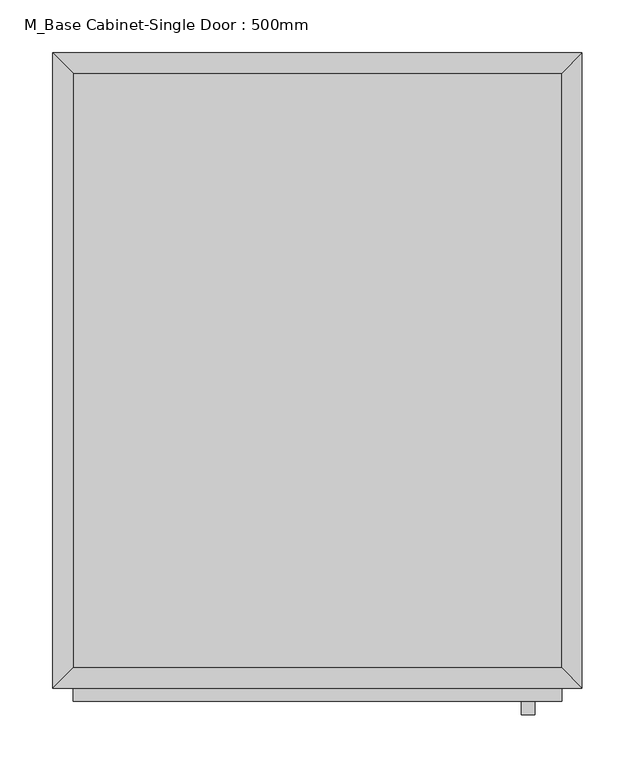
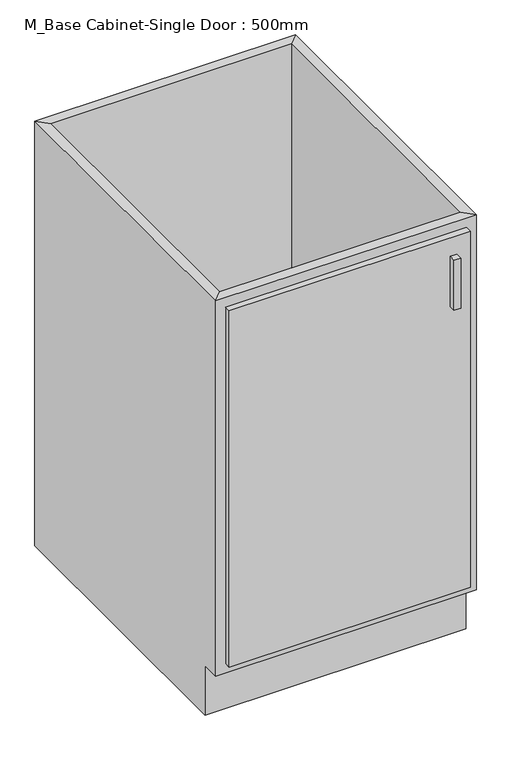
"""IFC4 building model written with IfcOpenShell, lengths in millimetres: furniture geometry, M_Base Cabinet-Single Door : 500mm."""

from ifc_helpers import new_model, si_unit, frame, origin, place, context, project, spatial, polyline, outline, extrude, faceted_brep, source, transform, mapped, element, save


def m_base_cabinet_single_door_500mm_33f56489(model_context):
    return source(origin(), model_context, "Body", "SolidModel", [
        faceted_brep([(249.6877049, -580.95, 860.0), (249.6877049, -580.95, 100.0), (-212.2122951, -580.95, 100.0), (-212.2122951, -580.95, 860.0), (-231.2622951, -600.0, 860.0), (268.7377049, -600.0, 860.0), (-231.2622951, -600.0, 100.0), (268.7377049, -600.0, 100.0), (-212.2122951, -565.0, 100.0), (-212.2122951, -19.05, 100.0), (-212.2122951, -19.05, 860.0), (-231.2622951, 0.0, 860.0), (-231.2622951, 0.0, 0.0), (-231.2622951, -565.0, 0.0), (-231.2622951, -565.0, 100.0), (249.6877049, -19.05, 100.0), (249.6877049, -19.05, 860.0), (268.7377049, 0.0, 860.0), (268.7377049, 0.0, 0.0), (249.6877049, -565.0, 100.0), (268.7377049, -565.0, 100.0), (268.7377049, -565.0, 0.0)], [[[0, 1, 2, 3]], [[0, 3, 4, 5]], [[5, 4, 6, 7]], [[2, 1, 7, 6]], [[3, 2, 8, 9, 10]], [[4, 3, 10, 11]], [[6, 4, 11, 12, 13, 14]], [[2, 6, 14, 8]], [[10, 9, 15, 16]], [[11, 10, 16, 17]], [[12, 11, 17, 18]], [[1, 0, 16, 15, 19]], [[0, 5, 17, 16]], [[5, 7, 20, 21, 18, 17]], [[7, 1, 19, 20]], [[8, 19, 15, 9]], [[18, 21, 13, 12]], [[13, 21, 20, 19, 8, 14]]]),
        extrude(outline(polyline([(224.2877049, -625.4), (211.5877049, -625.4), (211.5877049, -612.7), (224.2877049, -612.7), (224.2877049, -625.4)])), frame((0.0, 0.0, 701.25), z_axis=(0.0, 0.0, 1.0), x_axis=(1.0, 0.0, 0.0)), (0.0, 0.0, 1.0), 101.6),
        extrude(outline(polyline([(249.6877049, -612.7), (-212.2122951, -612.7), (-212.2122951, -600.0), (249.6877049, -600.0), (249.6877049, -612.7)])), frame((0.0, 0.0, 119.05), z_axis=(0.0, 0.0, 1.0), x_axis=(1.0, 0.0, 0.0)), (0.0, 0.0, 1.0), 721.9),
        extrude(outline(polyline([(249.6877049, -19.05), (249.6877049, -580.95), (-212.2122951, -580.95), (-212.2122951, -19.05), (249.6877049, -19.05)])), frame((0.0, 0.0, 100.0), z_axis=(0.0, 0.0, 1.0), x_axis=(1.0, 0.0, 0.0)), (0.0, 0.0, 1.0), 19.05),
    ])


if __name__ == "__main__":
    model = new_model("IFC4")
    model_context = context("Model", 3, world=origin())
    ifc_project = project(units=[si_unit("LENGTHUNIT", "METRE", prefix="MILLI")], contexts=[model_context])
    site = spatial("IfcSite", under=ifc_project)
    building = spatial("IfcBuilding", under=site)
    placement = place(None, origin())
    m_base_cabinet_single_door_500mm_shape = m_base_cabinet_single_door_500mm_33f56489(model_context)
    element("IfcFurniture", 1, ObjectType="M_Base Cabinet-Single Door : 500mm", at=placement, inside=building, context=model_context, shape_type="MappedRepresentation", body=[
        mapped(m_base_cabinet_single_door_500mm_shape, transform((0.0, 0.0, 0.0), x_axis=(1.0, 0.0, 0.0), y_axis=(0.0, 1.0, 0.0), z_axis=(0.0, 0.0, 1.0))),
    ])
    save(model, "model.ifc")
